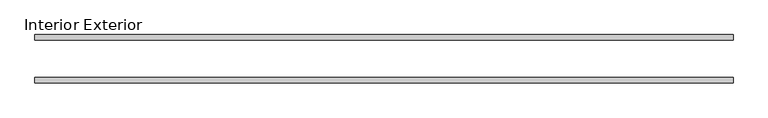
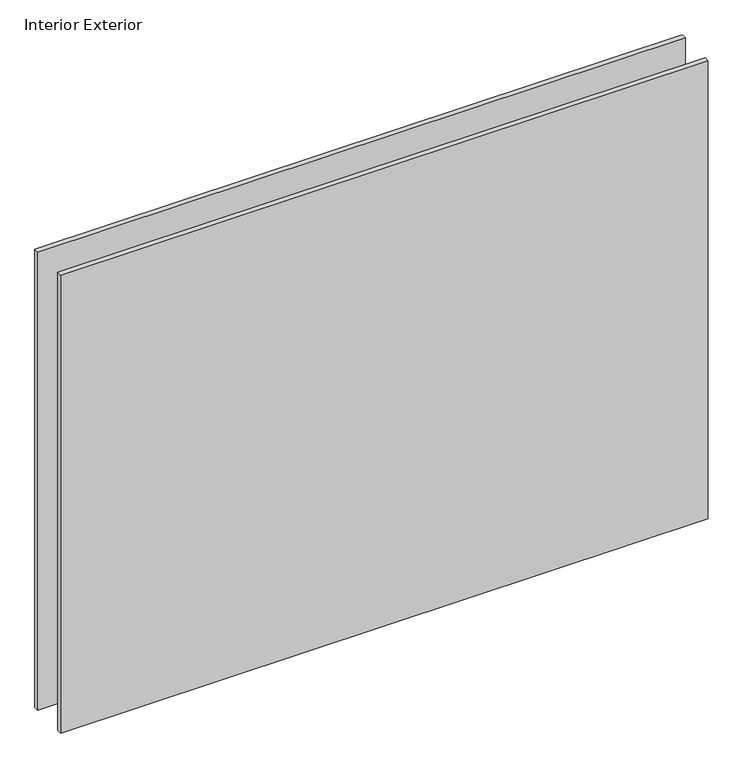
"""IFC4 building model written with IfcOpenShell, lengths in millimetres: plate geometry, Interior Exterior."""

from ifc_helpers import new_model, si_unit, frame, origin, place, context, project, spatial, polyline, outline, extrude, source, transform, mapped, element, save


def interior_exterior_ede4ccca(model_context):
    return source(origin(), model_context, "Body", "SweptSolid", [
        extrude(outline(polyline([(598.4875, -41.275), (-598.4875, -41.275), (-598.4875, -31.75), (598.4875, -31.75), (598.4875, -41.275)])), frame((0.0, 0.0, -25.4), z_axis=(0.0, 0.0, 1.0), x_axis=(1.0, 0.0, 0.0)), (0.0, 0.0, 1.0), 894.8000008),
        extrude(outline(polyline([(598.4875, 41.275), (598.4875, 31.75), (-598.4875, 31.75), (-598.4875, 41.275), (598.4875, 41.275)])), frame((0.0, 0.0, -25.4), z_axis=(0.0, 0.0, 1.0), x_axis=(1.0, 0.0, 0.0)), (0.0, 0.0, 1.0), 894.8000008),
    ])


if __name__ == "__main__":
    model = new_model("IFC4")
    model_context = context("Model", 3, world=origin())
    ifc_project = project(units=[si_unit("LENGTHUNIT", "METRE", prefix="MILLI")], contexts=[model_context])
    site = spatial("IfcSite", under=ifc_project)
    building = spatial("IfcBuilding", under=site)
    placement = place(None, origin())
    interior_exterior_shape = interior_exterior_ede4ccca(model_context)
    element("IfcPlate", 1, ObjectType="Interior Exterior", at=placement, inside=building, context=model_context, shape_type="MappedRepresentation", body=[
        mapped(interior_exterior_shape, transform((0.0, 0.0, 0.0), x_axis=(1.0, 0.0, 0.0), y_axis=(0.0, 1.0, 0.0), z_axis=(0.0, 0.0, 1.0))),
    ])
    save(model, "model.ifc")
